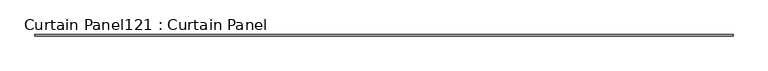
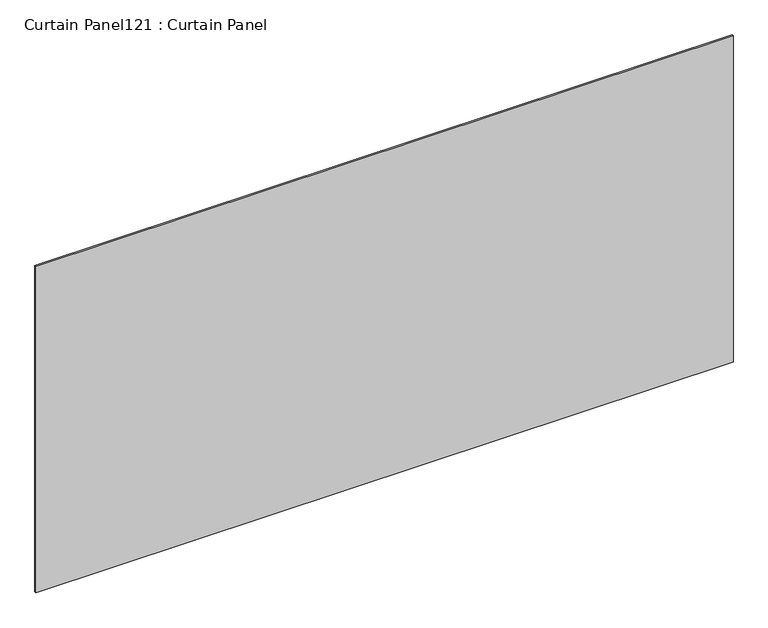
"""IFC4 building model written with IfcOpenShell, lengths in millimetres: plate geometry, Curtain Panel121 : Curtain Panel."""

from ifc_helpers import new_model, si_unit, frame, origin, place, context, project, spatial, polyline, outline, extrude, source, transform, mapped, element, save


def curtain_panel121_curtain_panel_4276d575(model_context):
    return source(origin(), model_context, "Body", "SweptSolid", [
        extrude(outline(polyline([(267454.1063541, 2414.4484836), (264558.5063541, 2414.4484836), (264558.5063541, 2420.7984836), (267454.1063541, 2420.7984836), (267454.1063541, 2414.4484836)])), frame((0.0, 0.0, 4914.2249337), z_axis=(0.0, 0.0, 1.0), x_axis=(1.0, 0.0, 0.0)), (0.0, 0.0, 1.0), 1433.10777),
    ])


if __name__ == "__main__":
    model = new_model("IFC4")
    model_context = context("Model", 3, world=origin())
    ifc_project = project(units=[si_unit("LENGTHUNIT", "METRE", prefix="MILLI")], contexts=[model_context])
    site = spatial("IfcSite", under=ifc_project)
    building = spatial("IfcBuilding", under=site)
    placement = place(None, origin())
    curtain_panel121_curtain_panel_shape = curtain_panel121_curtain_panel_4276d575(model_context)
    element("IfcPlate", 1, ObjectType="Curtain Panel121 : Curtain Panel", at=placement, inside=building, context=model_context, shape_type="MappedRepresentation", body=[
        mapped(curtain_panel121_curtain_panel_shape, transform((0.0, 0.0, 0.0), x_axis=(1.0, 0.0, 0.0), y_axis=(0.0, 1.0, 0.0), z_axis=(0.0, 0.0, 1.0))),
    ])
    save(model, "model.ifc")
